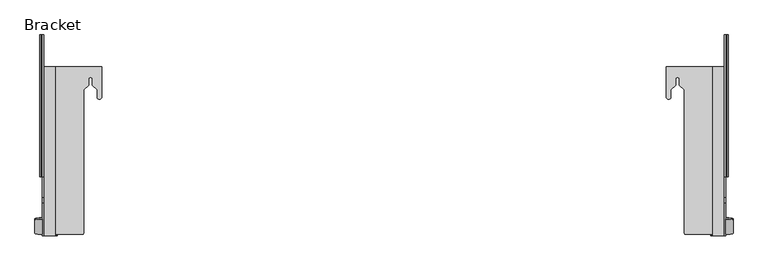
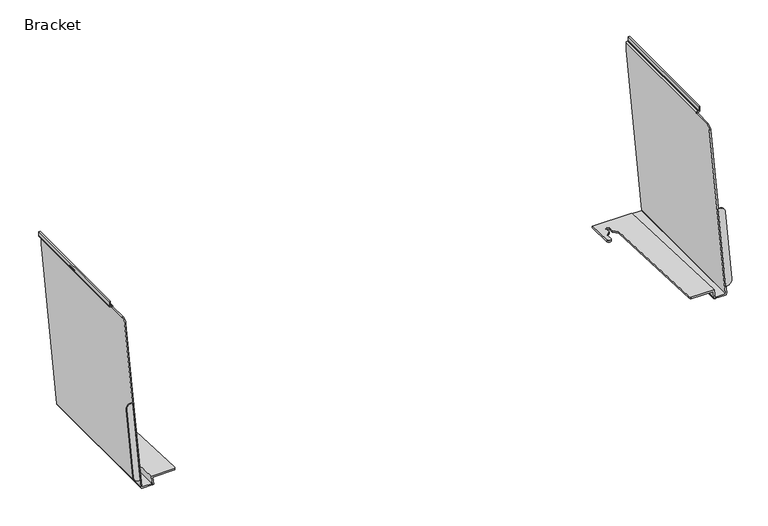
"""IFC4 building model written with IfcOpenShell, lengths in millimetres: furniture geometry, Bracket."""

from ifc_helpers import new_model, si_unit, frame, origin, place, context, project, spatial, polyline, circle_curve, ellipse_curve, source, transform, mapped, element, save
from ifc_brep_helpers import plane_surface, cylinder_surface, revolved_surface, advanced_brep


def bracket_5da60547(model_context):
    return source(origin(), model_context, "Body", "AdvancedBrep", [
        advanced_brep(
        [(1584.7267646, -163.5694426, 504.6641143), (1580.6037127, -163.5694426, 504.6641143), (1580.6037127, -196.2490672, 319.3287534), (1583.9565157, -196.2490672, 319.3287534), (1596.6565127, -194.0437098, 331.8359571), (1596.6565127, -165.6410462, 492.9154667), (1584.7267646, -161.2981934, 504.2522241), (1596.6565127, -163.4269275, 492.5139371), (1596.6565127, -192.6128772, 331.5764762), (1583.9565157, -194.8790539, 319.080302), (1580.6037127, -194.8790539, 319.080302), (1580.6037127, -161.2981934, 504.2522241)],
        [
            (0, 1),
            (1, 2),
            (2, 3),
            (3, 4, ellipse_curve(frame((1583.9565157, -194.0437098, 331.8359571), z_axis=(0.0, -0.9848077530122079, 0.17364817766693155), x_axis=(0.0, -0.1736481776669712, -0.984807753012201)), 12.7001475, 12.6999971)),
            (4, 5),
            (5, 0, ellipse_curve(frame((1584.7267646, -165.6410462, 492.9154667), z_axis=(0.0, -0.9848077530122079, 0.17364817766693155), x_axis=(0.0, -0.1736481776669712, -0.984807753012201)), 11.9298894, 11.9297481)),
            (6, 7, circle_curve(frame((1584.7267646, -163.4269275, 492.5139371), z_axis=(0.0, 0.9839509496893903, -0.1784391453839293), x_axis=(0.0, -0.1784391453839293, -0.9839509496893903)), 11.9297481)),
            (7, 8),
            (8, 9, circle_curve(frame((1583.9565157, -192.6128772, 331.5764762), z_axis=(0.0, 0.9839509496893903, -0.1784391453839293), x_axis=(0.0, -0.1784391453839293, -0.9839509496893903)), 12.6999971)),
            (9, 10),
            (10, 11),
            (11, 6),
            (11, 1),
            (0, 6),
            (10, 2),
            (9, 3),
            (8, 4),
            (7, 5),
        ],
        [
            plane_surface(frame((-105.6465848, -130.1351991, 694.2791319), z_axis=(0.0, -0.9848077530122079, 0.17364817766693155), x_axis=(1.0, 0.0, 0.0))),
            plane_surface(frame((1584.7267646, -165.5556615, 480.7756501), z_axis=(0.0, 0.9839509496893902, -0.17843914538392927), x_axis=(-1.0, 0.0, 0.0))),
            plane_surface(frame((1580.6037127, -161.2981934, 504.2522241), z_axis=(0.0, 0.17843914538393404, 0.9839509496893893), x_axis=(0.0, -0.9839509496893893, 0.17843914538393404))),
            plane_surface(frame((1580.6037127, -194.8790539, 319.080302), z_axis=(-1.0, 0.0, 0.0), x_axis=(0.0, -0.9839509496893893, 0.17843914538393404))),
            plane_surface(frame((1583.9565157, -194.8790539, 319.080302), z_axis=(0.0, -0.17843914538393404, -0.9839509496893893), x_axis=(0.0, -0.9839509496893893, 0.17843914538393404))),
            cylinder_surface(frame((1583.9565157, -195.6877218, 332.1340981), z_axis=(0.0, 0.9839509496893903, -0.1784391453839293), x_axis=(0.0, -0.1784391453839293, -0.9839509496893903)), 12.6999971),
            plane_surface(frame((1596.6565127, -163.4269275, 492.5139371), z_axis=(1.0, 0.0, 0.0), x_axis=(0.0, -0.9839509496893893, 0.17843914538393404))),
            cylinder_surface(frame((1584.7267646, -166.501772, 493.071559), z_axis=(0.0, 0.9839509496893903, -0.1784391453839293), x_axis=(0.0, -0.1784391453839293, -0.9839509496893903)), 11.9297481),
        ],
        [
            (0, [[1, 2, 3, 4, 5, 6]]),
            (1, [[7, 8, 9, 10, 11, 12]]),
            (2, [[-12, 13, -1, 14]]),
            (3, [[-11, 15, -2, -13]]),
            (4, [[-10, 16, -3, -15]]),
            (5, [[-9, 17, -4, -16]]),
            (6, [[-8, 18, -5, -17]]),
            (7, [[-7, -14, -6, -18]]),
        ],
    ),
        advanced_brep(
        [(1552.0033127, -199.8723316, 298.7802), (1552.0033127, -196.1325541, 319.9895321), (1492.7043624, -196.1325541, 319.9895321), (1493.0789112, -196.7451878, 316.5151141), (1548.3318209, -196.7451878, 316.5151141), (1548.3318209, -199.8723316, 298.7802), (1452.5623127, 99.7722819, 307.2629397), (1452.5623127, 164.732528, 304.4690599), (1452.5623127, 164.732528, 300.2899442), (1452.5623127, 99.7722819, 303.2057285), (1552.0033127, 164.732528, 298.7802), (1552.0033127, 164.732528, 304.4690599), (1462.7223127, 99.7722819, 307.2629397), (1462.7223127, 115.3629146, 306.5924011), (1472.5013127, 125.1314569, 306.1722652), (1472.5013127, 137.4119102, 305.6440943), (1480.8833127, 137.4119102, 305.6440943), (1480.8833127, 125.1314569, 306.1722652), (1490.9912172, 115.0343618, 306.6065319), (1490.9912172, -189.7048221, 319.7130813), (1548.3318209, 164.732528, 298.7802), (1548.3318209, 164.732528, 300.2899442), (1490.9912172, -189.7048221, 316.1991026), (1462.7223127, 99.7722819, 303.2057285), (1462.7223127, 115.3629146, 302.5059325), (1472.5013127, 125.1314569, 302.0674649), (1472.5013127, 137.4119102, 301.5162485), (1480.8833127, 137.4119102, 301.5162485), (1480.8833127, 125.1314569, 302.0674649), (1490.9912172, 115.0343618, 302.5206798)],
        [
            (0, 1),
            (1, 2),
            (2, 3, ellipse_curve(frame((1503.9062358, -189.7048221, 356.4430116), z_axis=(0.0, -0.9848077530122079, 0.17364817766693155), x_axis=(0.0, -0.17364817766693158, -0.984807753012208)), 74.3746277, 12.9150186)),
            (3, 4),
            (4, 5),
            (5, 0),
            (6, 7),
            (7, 8),
            (8, 9),
            (9, 6),
            (10, 11),
            (11, 1),
            (0, 10),
            (11, 7),
            (6, 12, ellipse_curve(frame((1457.6423127, 99.7722819, 307.2629397), z_axis=(0.0, 0.04296934815320081, 0.9990763910328825), x_axis=(0.0, 0.9990763910328826, -0.04296934815319849)), 5.0846963, 5.08)),
            (12, 13),
            (13, 14),
            (14, 15),
            (15, 16, ellipse_curve(frame((1476.6923127, 137.4119102, 305.6440943), z_axis=(0.0, -0.04296934815320081, -0.9990763910328825), x_axis=(0.0, -0.9990763910328826, 0.04296934815319849)), 4.1948744, 4.191)),
            (16, 17),
            (17, 18),
            (18, 19),
            (19, 2, ellipse_curve(frame((1503.9062358, -189.7048221, 319.7130813), z_axis=(0.0, 0.04296934815320081, 0.9990763910328825), x_axis=(0.0, 0.9990763910328826, -0.04296934815319849)), 12.926958, 12.9150186)),
            (10, 20),
            (20, 21),
            (21, 8),
            (5, 20),
            (19, 22),
            (22, 3, ellipse_curve(frame((1503.9062358, -189.7048221, 316.1991026), z_axis=(0.0, 0.044840523271698414, 0.9989941578771722), x_axis=(0.0, 0.9989941578771723, -0.04484052327169559)), 12.9280221, 12.9150186)),
            (9, 23, ellipse_curve(frame((1457.6423127, 99.7722819, 303.2057285), z_axis=(0.0, 0.044840523271698414, 0.9989941578771722), x_axis=(0.0, 0.9989941578771723, -0.04484052327169559)), 5.0851148, 5.08)),
            (23, 12),
            (23, 24),
            (24, 13),
            (24, 25),
            (25, 14),
            (25, 26),
            (26, 15),
            (26, 27, ellipse_curve(frame((1476.6923127, 137.4119102, 301.5162485), z_axis=(0.0, -0.044840523271698414, -0.9989941578771722), x_axis=(0.0, -0.9989941578771723, 0.04484052327169559)), 4.1952197, 4.191)),
            (27, 16),
            (27, 28),
            (28, 17),
            (28, 29),
            (29, 18),
            (29, 22),
            (4, 21),
        ],
        [
            plane_surface(frame((-105.6465848, -130.1351991, 694.2791319), z_axis=(0.0, -0.9848077530122079, 0.17364817766693155), x_axis=(1.0, 0.0, 0.0))),
            plane_surface(frame((1452.5623127, 164.732528, 300.5888376), z_axis=(-1.0, 0.0, 0.0), x_axis=(0.0, 0.0, -1.0))),
            plane_surface(frame((1552.0033127, 164.732528, 300.5888376), z_axis=(1.0, 0.0, 0.0), x_axis=(0.0, 0.0, 1.0))),
            plane_surface(frame((1452.5623127, -200.4313954, 320.1744212), z_axis=(0.0, 0.04296934815320081, 0.9990763910328825), x_axis=(1.0, 0.0, 0.0))),
            plane_surface(frame((1452.5623127, 164.732528, 304.4690599), z_axis=(0.0, 1.0, 0.0), x_axis=(1.0, 0.0, 0.0))),
            plane_surface(frame((1452.5623127, 164.732528, 298.7802), z_axis=(0.0, 0.0, -1.0), x_axis=(1.0, 0.0, 0.0))),
            cylinder_surface(frame((1503.9062358, -189.7048221, 0.0), z_axis=(0.0, 0.0, -1.0), x_axis=(-1.0, 0.0, 0.0)), 12.9150186),
            cylinder_surface(frame((1457.6423127, 99.7722819, 0.0), z_axis=(0.0, 0.0, -1.0), x_axis=(-1.0, 0.0, 0.0)), 5.08),
            plane_surface(frame((1462.7223127, 115.3629146, 407.911709), z_axis=(1.0, 0.0, 0.0), x_axis=(0.0, 0.0, -1.0))),
            plane_surface(frame((1472.5013127, 125.1314569, 407.911709), z_axis=(0.7067283887519917, -0.7074849712410957, 0.0), x_axis=(0.0, 0.0, -1.0))),
            plane_surface(frame((1472.5013127, 137.4119102, 407.911709), z_axis=(1.0, 0.0, 0.0), x_axis=(0.0, 0.0, -1.0))),
            revolved_surface(polyline([(1472.5013127, 137.4119102, 305.82434531855256), (1472.5013127, 137.4119102, 301.3281326534123)]), (1476.6923127, 137.4119102, 0.0), (0.0, 0.0, 1.0)),
            plane_surface(frame((1480.8833127, 125.1314569, 407.911709), z_axis=(-1.0, 0.0, 0.0), x_axis=(0.0, 0.0, -1.0))),
            plane_surface(frame((1490.9912172, 115.0343618, 407.911709), z_axis=(-0.7067283887519918, -0.7074849712410954, 0.0), x_axis=(0.0, 0.0, -1.0))),
            plane_surface(frame((1490.9912172, -189.7048221, 407.911709), z_axis=(-1.0, 0.0, 0.0), x_axis=(0.0, 0.0, -1.0))),
            plane_surface(frame((1548.3318209, -201.7788062, 316.7410515), z_axis=(-1.0000000000000002, 0.0, 0.0), x_axis=(0.0, -0.9989941578771722, 0.044840523271698414))),
            plane_surface(frame((1548.3318209, 164.9966462, 300.2780891), z_axis=(0.0, -0.044840523271698414, -0.9989941578771722), x_axis=(-1.0, 0.0, 0.0))),
        ],
        [
            (0, [[1, 2, 3, 4, 5, 6]]),
            (1, [[7, 8, 9, 10]]),
            (2, [[11, 12, -1, 13]]),
            (3, [[14, -7, 15, 16, 17, 18, 19, 20, 21, 22, 23, -2, -12]]),
            (4, [[-11, 24, 25, 26, -8, -14]]),
            (5, [[-13, -6, 27, -24]]),
            (6, [[-23, 28, 29, -3]]),
            (7, [[-15, -10, 30, 31]]),
            (8, [[-16, -31, 32, 33]]),
            (9, [[-17, -33, 34, 35]]),
            (10, [[-18, -35, 36, 37]]),
            (11, [[-19, -37, 38, 39]]),
            (12, [[-20, -39, 40, 41]]),
            (13, [[-21, -41, 42, 43]]),
            (14, [[-22, -43, 44, -28]]),
            (15, [[45, -25, -27, -5]]),
            (16, [[-45, -4, -29, -44, -42, -40, -38, -36, -34, -32, -30, -9, -26]]),
        ],
    ),
        advanced_brep(
        [(1583.5501127, 233.2990046, 720.9282), (1586.5473127, 233.2990046, 720.9282), (1586.5473127, 233.2990046, 709.8772043), (1583.1203084, 233.2990046, 706.4502), (1581.2433586, 233.2990046, 706.4502), (1580.6037127, 233.2990046, 705.8105541), (1580.6037127, 233.2990046, 687.6400124), (1577.6065127, 233.2990046, 687.6400124), (1577.6065127, 233.2990046, 706.0611666), (1580.9927462, 233.2990046, 709.4474), (1582.8546097, 233.2990046, 709.4474), (1583.5501127, 233.2990046, 710.142903), (1583.5501127, -72.9741954, 720.9282), (1586.5473127, -72.9741954, 720.9282), (1586.5473127, -72.9741954, 709.8772043), (1583.1203084, -72.9741954, 706.4502), (1581.2433586, -72.9741954, 706.4502), (1580.6037127, -72.9741954, 705.8105541), (1580.6037127, -72.9741954, 704.7738), (1580.6037127, -117.6281406, 704.7738), (1580.6037127, -130.1351991, 694.2791319), (1580.6037127, -199.2005258, 302.5902), (1580.6037127, 165.4043338, 302.5902), (1576.7937127, -199.8723316, 298.7802), (1576.7937127, 164.732528, 298.7802), (1552.0541127, -199.8723316, 298.7802), (1552.0541127, 164.732528, 298.7802), (1548.3318209, -199.3438444, 301.7774), (1548.3318209, 165.2610152, 301.7774), (1576.8244238, -199.3438444, 301.7774), (1576.8244238, 165.2610152, 301.7774), (1577.6065127, -199.205941, 302.559489), (1577.6065127, 165.3989186, 302.559489), (1577.6065127, -130.1351991, 694.2791319), (1577.6065127, -117.6281406, 704.7738), (1577.6065127, -72.9741954, 704.7738), (1577.6065127, -72.9741954, 706.0611666), (1580.9927462, -72.9741954, 709.4474), (1582.8546097, -72.9741954, 709.4474), (1583.5501127, -72.9741954, 710.142903)],
        [
            (0, 1),
            (1, 2),
            (2, 3, circle_curve(frame((1583.1203084, 233.2990046, 709.8772043), z_axis=(0.0, 1.0, 0.0), x_axis=(-1.0, 0.0, 0.0)), 3.4270043)),
            (3, 4),
            (4, 5, circle_curve(frame((1581.2433586, 233.2990046, 705.8105541), z_axis=(0.0, -1.0, 0.0), x_axis=(-1.0, 0.0, 0.0)), 0.6396459)),
            (5, 6),
            (6, 7),
            (7, 8),
            (8, 9, circle_curve(frame((1580.9927462, 233.2990046, 706.0611666), z_axis=(0.0, 1.0, 0.0), x_axis=(-1.0, 0.0, 0.0)), 3.3862334)),
            (9, 10),
            (10, 11, circle_curve(frame((1582.8546097, 233.2990046, 710.142903), z_axis=(0.0, -1.0, 0.0), x_axis=(-1.0, 0.0, 0.0)), 0.695503)),
            (11, 0),
            (0, 12),
            (12, 13),
            (13, 1),
            (13, 14),
            (14, 2),
            (14, 15, circle_curve(frame((1583.1203084, -72.9741954, 709.8772043), z_axis=(0.0, 1.0, 0.0), x_axis=(-1.0, 0.0, 0.0)), 3.4270043)),
            (15, 3),
            (15, 16),
            (16, 4),
            (16, 17, circle_curve(frame((1581.2433586, -72.9741954, 705.8105541), z_axis=(0.0, -1.0, 0.0), x_axis=(-1.0, 0.0, 0.0)), 0.6396459)),
            (17, 5),
            (17, 18),
            (18, 19),
            (19, 20, circle_curve(frame((1580.6037127, -117.6281406, 692.0738), z_axis=(1.0, 0.0, 0.0), x_axis=(0.0, -1.0, 0.0)), 12.7)),
            (20, 21),
            (21, 22),
            (22, 6),
            (21, 23, ellipse_curve(frame((1576.7937127, -199.2005258, 302.5902), z_axis=(0.0, 0.9848077530122079, -0.17364817766693155), x_axis=(0.0, -0.173648177666931, -0.9848077530122079)), 3.8687754, 3.81)),
            (23, 24),
            (24, 22, ellipse_curve(frame((1576.7937127, 165.4043338, 302.5902), z_axis=(0.0, -0.9848077530122079, 0.17364817766693158), x_axis=(0.0, -0.173648177666931, -0.984807753012208)), 3.8687754, 3.81)),
            (23, 25),
            (25, 26),
            (26, 24),
            (25, 27, ellipse_curve(frame((1552.0541127, -199.2005258, 302.5902), z_axis=(0.0, 0.9848077530122079, -0.17364817766693155), x_axis=(0.0, -0.173648177666931, -0.9848077530122079)), 3.8687754, 3.81)),
            (27, 28),
            (28, 26, ellipse_curve(frame((1552.0541127, 165.4043338, 302.5902), z_axis=(0.0, -0.9848077530122079, 0.17364817766693158), x_axis=(0.0, -0.173648177666931, -0.984807753012208)), 3.8687754, 3.81)),
            (27, 29),
            (29, 30),
            (30, 28),
            (29, 31, ellipse_curve(frame((1576.8244238, -199.205941, 302.559489), z_axis=(0.0, -0.9848077530122079, 0.17364817766693155), x_axis=(0.0, 0.173648177666931, 0.9848077530122079)), 0.7941539, 0.782089)),
            (31, 32),
            (32, 30, ellipse_curve(frame((1576.8244238, 165.3989186, 302.559489), z_axis=(0.0, 0.9848077530122079, -0.17364817766693158), x_axis=(0.0, 0.173648177666931, 0.984807753012208)), 0.7941539, 0.782089)),
            (7, 32),
            (31, 33),
            (33, 34, circle_curve(frame((1577.6065127, -117.6281406, 692.0738), z_axis=(-1.0, 0.0, 0.0), x_axis=(0.0, -1.0, 0.0)), 12.7)),
            (34, 35),
            (35, 36),
            (36, 8),
            (36, 37, circle_curve(frame((1580.9927462, -72.9741954, 706.0611666), z_axis=(0.0, 1.0, 0.0), x_axis=(-1.0, 0.0, 0.0)), 3.3862334)),
            (37, 9),
            (37, 38),
            (38, 10),
            (38, 39, circle_curve(frame((1582.8546097, -72.9741954, 710.142903), z_axis=(0.0, -1.0, 0.0), x_axis=(-1.0, 0.0, 0.0)), 0.695503)),
            (39, 11),
            (39, 12),
            (35, 18),
            (20, 33),
            (19, 34),
        ],
        [
            plane_surface(frame((1583.5501127, 233.2990046, 710.142903), z_axis=(0.0, 1.0, 0.0), x_axis=(0.0, 0.0, 1.0))),
            plane_surface(frame((1586.5473127, -200.4313954, 720.9282), z_axis=(0.0, 0.0, 1.0), x_axis=(0.0, 1.0, 0.0))),
            plane_surface(frame((1586.5473127, -200.4313954, 709.8772043), z_axis=(1.0, 0.0, 0.0), x_axis=(0.0, 1.0, 0.0))),
            cylinder_surface(frame((1583.1203084, 233.2990046, 709.8772043), z_axis=(0.0, -1.0, 0.0), x_axis=(-1.0, 0.0, 0.0)), 3.4270043),
            plane_surface(frame((1581.2433586, -200.4313954, 706.4502), z_axis=(-5.552943383781985e-12, 0.0, -1.0), x_axis=(0.0, 1.0, 0.0))),
            revolved_surface(polyline([(1580.6037127, 233.2990046, 705.8105541), (1580.6037127, -72.97419539999999, 705.8105541)]), (1581.2433586, 233.2990046, 705.8105541), (0.0, 1.0, 0.0)),
            plane_surface(frame((1580.6037127, -200.4313954, 302.5902), z_axis=(1.0, 0.0, 0.0), x_axis=(0.0, 1.0, 0.0))),
            cylinder_surface(frame((1576.7937127, 233.2990046, 302.5902), z_axis=(0.0, -1.0, 0.0), x_axis=(-1.0, 0.0, 0.0)), 3.81),
            plane_surface(frame((1552.0541127, -200.4313954, 298.7802), z_axis=(0.0, 0.0, -1.0), x_axis=(0.0, 1.0, 0.0))),
            cylinder_surface(frame((1552.0541127, 233.2990046, 302.5902), z_axis=(0.0, -1.0, 0.0), x_axis=(-1.0, 0.0, 0.0)), 3.81),
            plane_surface(frame((1576.8244238, -200.4313954, 301.7774), z_axis=(0.0, 0.0, 1.0), x_axis=(0.0, 1.0, 0.0))),
            revolved_surface(polyline([(1576.0423348, 165.5368219775221, 302.559489), (1576.0423348, -199.34384439999997, 302.559489)]), (1576.8244238, 233.2990046, 302.559489), (0.0, 1.0, 0.0)),
            plane_surface(frame((1577.6065127, -200.4313954, 706.0611666), z_axis=(-1.0, 0.0, 0.0), x_axis=(0.0, 1.0, 0.0))),
            cylinder_surface(frame((1580.9927462, 233.2990046, 706.0611666), z_axis=(0.0, -1.0, 0.0), x_axis=(-1.0, 0.0, 0.0)), 3.3862334),
            plane_surface(frame((1582.8546097, -200.4313954, 709.4474), z_axis=(-9.523764061726077e-12, 0.0, 1.0), x_axis=(0.0, 1.0, 0.0))),
            revolved_surface(polyline([(1582.1591067000002, 233.2990046, 710.142903), (1582.1591067000002, -72.97419539999999, 710.142903)]), (1582.8546097, 233.2990046, 710.142903), (0.0, 1.0, 0.0)),
            plane_surface(frame((1583.5501127, -200.4313954, 720.9282), z_axis=(-1.0, 0.0, 0.0), x_axis=(0.0, 1.0, 0.0))),
            plane_surface(frame((-105.6465848, 158.3177215, 262.4000247), z_axis=(0.0, 0.9848077530122079, -0.17364817766693158), x_axis=(1.0, 0.0, 0.0))),
            plane_surface(frame((-105.6465848, -72.9741954, 720.9282), z_axis=(0.0, -1.0, 0.0), x_axis=(1.0, 0.0, 0.0))),
            plane_surface(frame((-105.6465848, -130.1351991, 694.2791319), z_axis=(0.0, -0.9848077530122079, 0.17364817766693155), x_axis=(1.0, 0.0, 0.0))),
            cylinder_surface(frame((889.0125127, -117.6281406, 692.0738), z_axis=(1.0, 0.0, 0.0), x_axis=(0.0, -1.0, 0.0)), 12.7),
            plane_surface(frame((-105.6465848, -72.9741954, 704.7738), z_axis=(0.0, 0.0, 1.0), x_axis=(1.0, 0.0, 0.0))),
        ],
        [
            (0, [[1, 2, 3, 4, 5, 6, 7, 8, 9, 10, 11, 12]]),
            (1, [[-1, 13, 14, 15]]),
            (2, [[-2, -15, 16, 17]]),
            (3, [[-3, -17, 18, 19]]),
            (4, [[-4, -19, 20, 21]]),
            (5, [[-5, -21, 22, 23]]),
            (6, [[-6, -23, 24, 25, 26, 27, 28, 29]]),
            (7, [[-28, 30, 31, 32]]),
            (8, [[-31, 33, 34, 35]]),
            (9, [[-34, 36, 37, 38]]),
            (10, [[-37, 39, 40, 41]]),
            (11, [[-40, 42, 43, 44]]),
            (12, [[-8, 45, -43, 46, 47, 48, 49, 50]]),
            (13, [[-9, -50, 51, 52]]),
            (14, [[-10, -52, 53, 54]]),
            (15, [[-11, -54, 55, 56]]),
            (16, [[-12, -56, 57, -13]]),
            (17, [[-7, -29, -32, -35, -38, -41, -44, -45]]),
            (18, [[58, -24, -22, -20, -18, -16, -14, -57, -55, -53, -51, -49]]),
            (19, [[59, -46, -42, -39, -36, -33, -30, -27]]),
            (20, [[-59, -26, 60, -47]]),
            (21, [[-60, -25, -58, -48]]),
        ],
    ),
        advanced_brep(
        [(103.4330609, -161.2981934, 504.2522241), (107.5561127, -161.2981934, 504.2522241), (107.5561127, -194.8790539, 319.080302), (104.2033098, -194.8790539, 319.080302), (91.5033127, -192.6128772, 331.5764762), (91.5033127, -163.4269275, 492.5139371), (103.4330609, -163.5694426, 504.6641143), (107.5561127, -163.5694426, 504.6641143), (107.5561127, -196.2490672, 319.3287534), (104.2033098, -196.2490672, 319.3287534), (91.5033127, -194.0437098, 331.8359571), (91.5033127, -165.6410462, 492.9154667)],
        [
            (0, 1),
            (1, 2),
            (2, 3),
            (3, 4, circle_curve(frame((104.2033098, -192.6128772, 331.5764762), z_axis=(0.0, 0.9839509496893903, -0.1784391453839293), x_axis=(1.0, 0.0, 0.0)), 12.6999971)),
            (4, 5),
            (5, 0, circle_curve(frame((103.4330609, -163.4269275, 492.5139371), z_axis=(0.0, 0.9839509496893903, -0.1784391453839293), x_axis=(1.0, 0.0, 0.0)), 11.9297481)),
            (0, 6),
            (6, 7),
            (7, 1),
            (7, 8),
            (8, 2),
            (8, 9),
            (9, 3),
            (9, 10, ellipse_curve(frame((104.2033098, -194.0437098, 331.8359571), z_axis=(0.0, 0.9848077530122079, -0.17364817766693155), x_axis=(0.0, -0.1736481776669712, -0.984807753012201)), 12.7001475, 12.6999971)),
            (10, 4),
            (10, 11),
            (11, 5),
            (11, 6, ellipse_curve(frame((103.4330609, -165.6410462, 492.9154667), z_axis=(0.0, 0.9848077530122079, -0.17364817766693155), x_axis=(0.0, -0.1736481776669712, -0.984807753012201)), 11.9298894, 11.9297481)),
        ],
        [
            plane_surface(frame((107.5561127, -161.2981934, 504.2522241), z_axis=(0.0, 0.9839509496893903, -0.1784391453839293), x_axis=(1.0, 0.0, 0.0))),
            plane_surface(frame((103.4330609, -161.2981934, 504.2522241), z_axis=(0.0, 0.17843914538393404, 0.9839509496893893), x_axis=(0.0, -0.9839509496893893, 0.17843914538393404))),
            plane_surface(frame((107.5561127, -161.2981934, 504.2522241), z_axis=(1.0, 0.0, 0.0), x_axis=(0.0, -0.9839509496893893, 0.17843914538393404))),
            plane_surface(frame((107.5561127, -194.8790539, 319.080302), z_axis=(0.0, -0.17843914538393404, -0.9839509496893893), x_axis=(0.0, -0.9839509496893893, 0.17843914538393404))),
            cylinder_surface(frame((104.2033098, -195.6877218, 332.1340981), z_axis=(0.0, 0.9839509496893903, -0.1784391453839293), x_axis=(1.0, 0.0, 0.0)), 12.6999971),
            plane_surface(frame((91.5033127, -192.6128772, 331.5764762), z_axis=(-1.0, 0.0, 0.0), x_axis=(0.0, -0.9839509496893893, 0.17843914538393404))),
            cylinder_surface(frame((103.4330609, -166.501772, 493.071559), z_axis=(0.0, 0.9839509496893903, -0.1784391453839293), x_axis=(1.0, 0.0, 0.0)), 11.9297481),
            plane_surface(frame((-105.6465848, -130.1351991, 694.2791319), z_axis=(0.0, -0.9848077530122079, 0.17364817766693155), x_axis=(1.0, 0.0, 0.0))),
        ],
        [
            (0, [[1, 2, 3, 4, 5, 6]]),
            (1, [[-1, 7, 8, 9]]),
            (2, [[-2, -9, 10, 11]]),
            (3, [[-3, -11, 12, 13]]),
            (4, [[-4, -13, 14, 15]]),
            (5, [[-5, -15, 16, 17]]),
            (6, [[-6, -17, 18, -7]]),
            (7, [[-8, -18, -16, -14, -12, -10]]),
        ],
    ),
        advanced_brep(
        [(235.5975127, 164.732528, 300.2899442), (235.5975127, 164.732528, 304.4690599), (235.5975127, 99.7722819, 307.2629397), (235.5975127, 99.7722819, 303.2057285), (136.1565127, 164.732528, 304.4690599), (136.1565127, 164.732528, 298.7802), (136.1565127, -199.8723316, 298.7802), (136.1565127, -196.1325541, 319.9895321), (195.455463, -196.1325541, 319.9895321), (197.1686083, -189.7048221, 319.7130813), (197.1686083, 115.0343618, 306.6065319), (207.2765127, 125.1314569, 306.1722652), (207.2765127, 137.4119102, 305.6440943), (215.6585127, 137.4119102, 305.6440943), (215.6585127, 125.1314569, 306.1722652), (225.4375127, 115.3629146, 306.5924011), (225.4375127, 99.7722819, 307.2629397), (139.8280045, 164.732528, 300.2899442), (139.8280045, 164.732528, 298.7802), (139.8280045, -199.8723316, 298.7802), (139.8280045, -196.7451878, 316.5151141), (225.4375127, 99.7722819, 303.2057285), (225.4375127, 115.3629146, 302.5059325), (215.6585127, 125.1314569, 302.0674649), (215.6585127, 137.4119102, 301.5162485), (207.2765127, 137.4119102, 301.5162485), (207.2765127, 125.1314569, 302.0674649), (197.1686083, 115.0343618, 302.5206798), (197.1686083, -189.7048221, 316.1991026), (195.0809142, -196.7451878, 316.5151141)],
        [
            (0, 1),
            (1, 2),
            (2, 3),
            (3, 0),
            (4, 5),
            (5, 6),
            (6, 7),
            (7, 4),
            (1, 4),
            (7, 8),
            (8, 9, ellipse_curve(frame((184.2535897, -189.7048221, 319.7130813), z_axis=(0.0, 0.04296934815320083, 0.9990763910328825), x_axis=(0.0, 0.9990763910328825, -0.04296934815319847)), 12.926958, 12.9150186)),
            (9, 10),
            (10, 11),
            (11, 12),
            (12, 13, ellipse_curve(frame((211.4675127, 137.4119102, 305.6440943), z_axis=(0.0, -0.04296934815320083, -0.9990763910328825), x_axis=(0.0, -0.9990763910328825, 0.04296934815319847)), 4.1948744, 4.191)),
            (13, 14),
            (14, 15),
            (15, 16),
            (16, 2, ellipse_curve(frame((230.5175127, 99.7722819, 307.2629397), z_axis=(0.0, 0.04296934815320083, 0.9990763910328825), x_axis=(0.0, 0.9990763910328825, -0.04296934815319847)), 5.0846963, 5.08)),
            (0, 17),
            (17, 18),
            (18, 5),
            (18, 19),
            (19, 6),
            (17, 20),
            (20, 19),
            (3, 21, ellipse_curve(frame((230.5175127, 99.7722819, 303.2057285), z_axis=(0.0, -0.044840523271698414, -0.9989941578771722), x_axis=(0.0, 0.9989941578771723, -0.04484052327169559)), 5.0851148, 5.08)),
            (21, 22),
            (22, 23),
            (23, 24),
            (24, 25, ellipse_curve(frame((211.4675127, 137.4119102, 301.5162485), z_axis=(0.0, 0.044840523271698414, 0.9989941578771722), x_axis=(0.0, -0.9989941578771723, 0.04484052327169559)), 4.1952197, 4.191)),
            (25, 26),
            (26, 27),
            (27, 28),
            (28, 29, ellipse_curve(frame((184.2535897, -189.7048221, 316.1991026), z_axis=(0.0, -0.044840523271698414, -0.9989941578771722), x_axis=(0.0, 0.9989941578771723, -0.04484052327169559)), 12.9280221, 12.9150186)),
            (29, 20),
            (28, 9),
            (8, 29, ellipse_curve(frame((184.2535897, -189.7048221, 356.4430116), z_axis=(0.0, 0.9848077530122079, -0.17364817766693155), x_axis=(0.0, -0.17364817766693158, -0.984807753012208)), 74.3746277, 12.9150186)),
            (16, 21),
            (15, 22),
            (14, 23),
            (13, 24),
            (12, 25),
            (11, 26),
            (10, 27),
        ],
        [
            plane_surface(frame((235.5975127, -200.4313954, 320.1744212), z_axis=(1.0, 0.0, 0.0), x_axis=(0.0, -0.9990763910328825, 0.04296934815320083))),
            plane_surface(frame((136.1565127, -200.4313954, 320.1744212), z_axis=(-1.0, 0.0, 0.0), x_axis=(0.0, 0.9990763910328825, -0.04296934815320083))),
            plane_surface(frame((235.5975127, 164.732528, 304.4690599), z_axis=(0.0, 0.04296934815320083, 0.9990763910328825), x_axis=(-1.0, 0.0, 0.0))),
            plane_surface(frame((235.5975127, 164.732528, 298.7802), z_axis=(0.0, 1.0, 0.0), x_axis=(-1.0, 0.0, 0.0))),
            plane_surface(frame((235.5975127, -200.5813731, 298.7802), z_axis=(0.0, 0.0, -1.0), x_axis=(-1.0, 0.0, 0.0))),
            plane_surface(frame((139.8280045, 164.9966462, 300.2780891), z_axis=(1.0, 0.0, 0.0), x_axis=(0.0, 0.0, -1.0))),
            plane_surface(frame((139.8280045, -201.7788062, 316.7410515), z_axis=(0.0, -0.044840523271698414, -0.9989941578771722), x_axis=(1.0, 0.0, 0.0))),
            cylinder_surface(frame((184.2535897, -189.7048221, 0.0), z_axis=(0.0, 0.0, -1.0), x_axis=(1.0, 0.0, 0.0)), 12.9150186),
            cylinder_surface(frame((230.5175127, 99.7722819, 0.0), z_axis=(0.0, 0.0, -1.0), x_axis=(1.0, 0.0, 0.0)), 5.08),
            plane_surface(frame((225.4375127, 99.7722819, 407.911709), z_axis=(-1.0, 0.0, 0.0), x_axis=(0.0, 0.0, -1.0))),
            plane_surface(frame((225.4375127, 115.3629146, 407.911709), z_axis=(-0.7067283887519917, -0.7074849712410957, 0.0), x_axis=(0.0, 0.0, -1.0))),
            plane_surface(frame((215.6585127, 125.1314569, 407.911709), z_axis=(-1.0, 0.0, 0.0), x_axis=(0.0, 0.0, -1.0))),
            revolved_surface(polyline([(215.6585127, 137.4119102, 305.82434531855256), (215.6585127, 137.4119102, 301.3281326534123)]), (211.4675127, 137.4119102, 0.0), (0.0, 0.0, 1.0)),
            plane_surface(frame((207.2765127, 137.4119102, 407.911709), z_axis=(1.0, 0.0, 0.0), x_axis=(0.0, 0.0, -1.0))),
            plane_surface(frame((207.2765127, 125.1314569, 407.911709), z_axis=(0.7067283887519918, -0.7074849712410954, 0.0), x_axis=(0.0, 0.0, -1.0))),
            plane_surface(frame((197.1686083, 115.0343618, 407.911709), z_axis=(1.0, 0.0, 0.0), x_axis=(0.0, 0.0, -1.0))),
            plane_surface(frame((-105.6465848, -130.1351991, 694.2791319), z_axis=(0.0, -0.9848077530122079, 0.17364817766693155), x_axis=(1.0, 0.0, 0.0))),
        ],
        [
            (0, [[1, 2, 3, 4]]),
            (1, [[5, 6, 7, 8]]),
            (2, [[9, -8, 10, 11, 12, 13, 14, 15, 16, 17, 18, 19, -2]]),
            (3, [[-5, -9, -1, 20, 21, 22]]),
            (4, [[-22, 23, 24, -6]]),
            (5, [[-21, 25, 26, -23]]),
            (6, [[-20, -4, 27, 28, 29, 30, 31, 32, 33, 34, 35, 36, -25]]),
            (7, [[37, -11, 38, -35]]),
            (8, [[39, -27, -3, -19]]),
            (9, [[-39, -18, 40, -28]]),
            (10, [[-40, -17, 41, -29]]),
            (11, [[-41, -16, 42, -30]]),
            (12, [[-42, -15, 43, -31]]),
            (13, [[-43, -14, 44, -32]]),
            (14, [[-44, -13, 45, -33]]),
            (15, [[-37, -34, -45, -12]]),
            (16, [[-7, -24, -26, -36, -38, -10]]),
        ],
    ),
        advanced_brep(
        [(104.6097127, 233.2990046, 720.9282), (104.6097127, 233.2990046, 710.142903), (105.3052157, 233.2990046, 709.4474), (107.1670793, 233.2990046, 709.4474), (110.5533127, 233.2990046, 706.0611666), (110.5533127, 233.2990046, 687.6400124), (107.5561127, 233.2990046, 687.6400124), (107.5561127, 233.2990046, 705.8105541), (106.9164669, 233.2990046, 706.4502), (105.039517, 233.2990046, 706.4502), (101.6125127, 233.2990046, 709.8772043), (101.6125127, 233.2990046, 720.9282), (101.6125127, -72.9741954, 720.9282), (104.6097127, -72.9741954, 720.9282), (101.6125127, -72.9741954, 709.8772043), (105.039517, -72.9741954, 706.4502), (106.9164669, -72.9741954, 706.4502), (107.5561127, -72.9741954, 705.8105541), (107.5561127, 165.4043338, 302.5902), (107.5561127, -199.2005258, 302.5902), (107.5561127, -130.1351991, 694.2791319), (107.5561127, -117.6281406, 704.7738), (107.5561127, -72.9741954, 704.7738), (111.3661127, 164.732528, 298.7802), (111.3661127, -199.8723316, 298.7802), (136.1057127, 164.732528, 298.7802), (136.1057127, -199.8723316, 298.7802), (139.8280045, 165.2610152, 301.7774), (139.8280045, 131.5937616, 301.7774), (139.8280045, -199.3438444, 301.7774), (111.3354017, 165.2610152, 301.7774), (111.3354017, -199.3438444, 301.7774), (110.5533127, 165.3989186, 302.559489), (110.5533127, -199.205941, 302.559489), (110.5533127, -72.9741954, 706.0611666), (110.5533127, -72.9741954, 704.7738), (110.5533127, -117.6281406, 704.7738), (110.5533127, -130.1351991, 694.2791319), (107.1670793, -72.9741954, 709.4474), (105.3052157, -72.9741954, 709.4474), (104.6097127, -72.9741954, 710.142903)],
        [
            (0, 1),
            (1, 2, circle_curve(frame((105.3052157, 233.2990046, 710.142903), z_axis=(0.0, -1.0, 0.0), x_axis=(1.0, 0.0, 0.0)), 0.695503)),
            (2, 3),
            (3, 4, circle_curve(frame((107.1670793, 233.2990046, 706.0611666), z_axis=(0.0, 1.0, 0.0), x_axis=(1.0, 0.0, 0.0)), 3.3862334)),
            (4, 5),
            (5, 6),
            (6, 7),
            (7, 8, circle_curve(frame((106.9164669, 233.2990046, 705.8105541), z_axis=(0.0, -1.0, 0.0), x_axis=(1.0, 0.0, 0.0)), 0.6396459)),
            (8, 9),
            (9, 10, circle_curve(frame((105.039517, 233.2990046, 709.8772043), z_axis=(0.0, 1.0, 0.0), x_axis=(1.0, 0.0, 0.0)), 3.4270043)),
            (10, 11),
            (11, 0),
            (11, 12),
            (12, 13),
            (13, 0),
            (10, 14),
            (14, 12),
            (9, 15),
            (15, 14, circle_curve(frame((105.039517, -72.9741954, 709.8772043), z_axis=(0.0, 1.0, 0.0), x_axis=(1.0, 0.0, 0.0)), 3.4270043)),
            (8, 16),
            (16, 15),
            (7, 17),
            (17, 16, circle_curve(frame((106.9164669, -72.9741954, 705.8105541), z_axis=(0.0, -1.0, 0.0), x_axis=(1.0, 0.0, 0.0)), 0.6396459)),
            (6, 18),
            (18, 19),
            (19, 20),
            (20, 21, circle_curve(frame((107.5561127, -117.6281406, 692.0738), z_axis=(-1.0, 0.0, 0.0), x_axis=(0.0, -1.0, 0.0)), 12.7)),
            (21, 22),
            (22, 17),
            (18, 23, ellipse_curve(frame((111.3661127, 165.4043338, 302.5902), z_axis=(0.0, -0.9848077530122079, 0.1736481776669315), x_axis=(0.0, -0.17364817766693108, -0.984807753012208)), 3.8687754, 3.81)),
            (23, 24),
            (24, 19, ellipse_curve(frame((111.3661127, -199.2005258, 302.5902), z_axis=(0.0, 0.9848077530122079, -0.1736481776669315), x_axis=(0.0, -0.17364817766693108, -0.984807753012208)), 3.8687754, 3.81)),
            (23, 25),
            (25, 26),
            (26, 24),
            (25, 27, ellipse_curve(frame((136.1057127, 165.4043338, 302.5902), z_axis=(0.0, -0.9848077530122079, 0.1736481776669315), x_axis=(0.0, -0.17364817766693108, -0.984807753012208)), 3.8687754, 3.81)),
            (27, 28),
            (28, 29),
            (29, 26, ellipse_curve(frame((136.1057127, -199.2005258, 302.5902), z_axis=(0.0, 0.9848077530122079, -0.1736481776669315), x_axis=(0.0, -0.17364817766693108, -0.984807753012208)), 3.8687754, 3.81)),
            (30, 31),
            (31, 29),
            (27, 30),
            (30, 32, ellipse_curve(frame((111.3354017, 165.3989186, 302.559489), z_axis=(0.0, 0.9848077530122079, -0.1736481776669315), x_axis=(0.0, 0.17364817766693108, 0.984807753012208)), 0.7941539, 0.782089)),
            (32, 33),
            (33, 31, ellipse_curve(frame((111.3354017, -199.205941, 302.559489), z_axis=(0.0, -0.9848077530122079, 0.1736481776669315), x_axis=(0.0, 0.17364817766693108, 0.984807753012208)), 0.7941539, 0.782089)),
            (4, 34),
            (34, 35),
            (35, 36),
            (36, 37, circle_curve(frame((110.5533127, -117.6281406, 692.0738), z_axis=(1.0, 0.0, 0.0), x_axis=(0.0, -1.0, 0.0)), 12.7)),
            (37, 33),
            (32, 5),
            (3, 38),
            (38, 34, circle_curve(frame((107.1670793, -72.9741954, 706.0611666), z_axis=(0.0, 1.0, 0.0), x_axis=(1.0, 0.0, 0.0)), 3.3862334)),
            (2, 39),
            (39, 38),
            (1, 40),
            (40, 39, circle_curve(frame((105.3052157, -72.9741954, 710.142903), z_axis=(0.0, -1.0, 0.0), x_axis=(1.0, 0.0, 0.0)), 0.695503)),
            (13, 40),
            (22, 35),
            (37, 20),
            (36, 21),
        ],
        [
            plane_surface(frame((104.6097127, 233.2990046, 720.9282), z_axis=(0.0, 1.0, 0.0), x_axis=(1.0, 0.0, 0.0))),
            plane_surface(frame((104.6097127, -200.4313954, 720.9282), z_axis=(0.0, 0.0, 1.0), x_axis=(0.0, 1.0, 0.0))),
            plane_surface(frame((101.6125127, -200.4313954, 720.9282), z_axis=(-1.0, 0.0, 0.0), x_axis=(0.0, 1.0, 0.0))),
            cylinder_surface(frame((105.039517, 233.2990046, 709.8772043), z_axis=(0.0, -1.0, 0.0), x_axis=(1.0, 0.0, 0.0)), 3.4270043),
            plane_surface(frame((105.039517, -200.4313954, 706.4502), z_axis=(0.0, 0.0, -1.0), x_axis=(0.0, 1.0, 0.0))),
            revolved_surface(polyline([(107.55611280000001, 233.2990046, 705.8105541), (107.55611280000001, -72.97419539999999, 705.8105541)]), (106.9164669, 233.2990046, 705.8105541), (0.0, 1.0, 0.0)),
            plane_surface(frame((107.5561127, -200.4313954, 705.8105541), z_axis=(-1.0, 0.0, 0.0), x_axis=(0.0, 1.0, 0.0))),
            cylinder_surface(frame((111.3661127, 233.2990046, 302.5902), z_axis=(0.0, -1.0, 0.0), x_axis=(1.0, 0.0, 0.0)), 3.81),
            plane_surface(frame((111.3661127, -200.4313954, 298.7802), z_axis=(0.0, 0.0, -1.0), x_axis=(0.0, 1.0, 0.0))),
            cylinder_surface(frame((136.1057127, 233.2990046, 302.5902), z_axis=(0.0, -1.0, 0.0), x_axis=(1.0, 0.0, 0.0)), 3.81),
            plane_surface(frame((139.8280045, -200.4313954, 301.7774), z_axis=(0.0, 0.0, 1.0), x_axis=(0.0, 1.0, 0.0))),
            revolved_surface(polyline([(112.1174907, 165.5368219775221, 302.559489), (112.1174907, -199.34384439999997, 302.559489)]), (111.3354017, 233.2990046, 302.559489), (0.0, 1.0, 0.0)),
            plane_surface(frame((110.5533127, -200.4313954, 302.559489), z_axis=(1.0, 0.0, 0.0), x_axis=(0.0, 1.0, 0.0))),
            cylinder_surface(frame((107.1670793, 233.2990046, 706.0611666), z_axis=(0.0, -1.0, 0.0), x_axis=(1.0, 0.0, 0.0)), 3.3862334),
            plane_surface(frame((107.1670793, -200.4313954, 709.4474), z_axis=(0.0, 0.0, 1.0), x_axis=(0.0, 1.0, 0.0))),
            revolved_surface(polyline([(106.00071870000001, 233.2990046, 710.142903), (106.00071870000001, -72.97419539999999, 710.142903)]), (105.3052157, 233.2990046, 710.142903), (0.0, 1.0, 0.0)),
            plane_surface(frame((104.6097127, -200.4313954, 710.142903), z_axis=(1.0, 0.0, 0.0), x_axis=(0.0, 1.0, 0.0))),
            plane_surface(frame((1883.6716103, 233.2990046, 687.6400124), z_axis=(0.0, 0.9848077530122079, -0.1736481776669315), x_axis=(-1.0, 0.0, 0.0))),
            plane_surface(frame((1883.6716103, -72.9741954, 704.7738), z_axis=(0.0, -1.0, 0.0), x_axis=(-1.0, 0.0, 0.0))),
            plane_surface(frame((1883.6716103, -206.2871381, 262.4000247), z_axis=(0.0, -0.9848077530122079, 0.1736481776669315), x_axis=(-1.0, 0.0, 0.0))),
            cylinder_surface(frame((889.0125127, -117.6281406, 692.0738), z_axis=(-1.0, 0.0, 0.0), x_axis=(0.0, -1.0, 0.0)), 12.7),
            plane_surface(frame((1883.6716103, -117.6281406, 704.7738), z_axis=(0.0, 0.0, 1.0), x_axis=(-1.0, 0.0, 0.0))),
        ],
        [
            (0, [[1, 2, 3, 4, 5, 6, 7, 8, 9, 10, 11, 12]]),
            (1, [[-12, 13, 14, 15]]),
            (2, [[-11, 16, 17, -13]]),
            (3, [[-10, 18, 19, -16]]),
            (4, [[-9, 20, 21, -18]]),
            (5, [[-8, 22, 23, -20]]),
            (6, [[-7, 24, 25, 26, 27, 28, 29, -22]]),
            (7, [[-25, 30, 31, 32]]),
            (8, [[-31, 33, 34, 35]]),
            (9, [[-34, 36, 37, 38, 39]]),
            (10, [[40, 41, -38, -37, 42]]),
            (11, [[-40, 43, 44, 45]]),
            (12, [[-5, 46, 47, 48, 49, 50, -44, 51]]),
            (13, [[-4, 52, 53, -46]]),
            (14, [[-3, 54, 55, -52]]),
            (15, [[-2, 56, 57, -54]]),
            (16, [[-1, -15, 58, -56]]),
            (17, [[-6, -51, -43, -42, -36, -33, -30, -24]]),
            (18, [[59, -47, -53, -55, -57, -58, -14, -17, -19, -21, -23, -29]]),
            (19, [[60, -26, -32, -35, -39, -41, -45, -50]]),
            (20, [[-60, -49, 61, -27]]),
            (21, [[-59, -28, -61, -48]]),
        ],
    ),
    ])


if __name__ == "__main__":
    model = new_model("IFC4")
    model_context = context("Model", 3, world=origin())
    ifc_project = project(units=[si_unit("LENGTHUNIT", "METRE", prefix="MILLI")], contexts=[model_context])
    site = spatial("IfcSite", under=ifc_project)
    building = spatial("IfcBuilding", under=site)
    placement = place(None, origin())
    bracket_shape = bracket_5da60547(model_context)
    element("IfcFurniture", 1, ObjectType="Bracket", at=placement, inside=building, context=model_context, shape_type="MappedRepresentation", body=[
        mapped(bracket_shape, transform((0.0, 0.0, 0.0), x_axis=(1.0, 0.0, 0.0), y_axis=(0.0, 1.0, 0.0), z_axis=(0.0, 0.0, 1.0))),
    ])
    save(model, "model.ifc")
